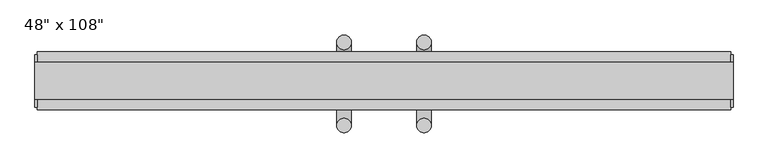
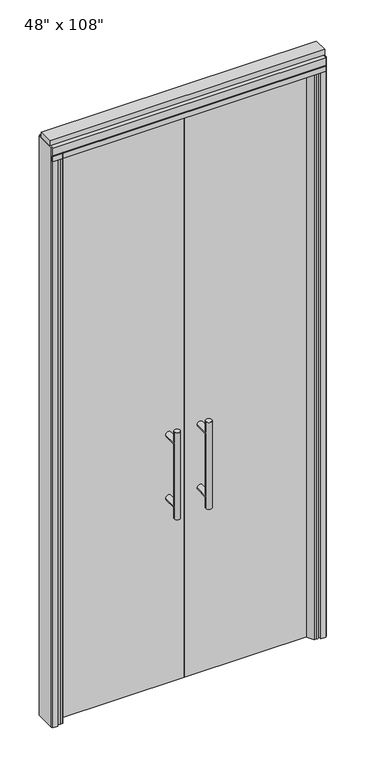
"""IFC4 building model written with IfcOpenShell, lengths in millimetres: furniture geometry."""

from ifc_helpers import new_model, si_unit, point, frame, frame_2d, origin, origin_with_axes, place, context, project, spatial, polyline, circle_curve, ellipse_curve, trimmed, segment, composite_curve, outline, extrude, source, transform, mapped, element, save
from ifc_brep_helpers import plane_surface, cylinder_surface, advanced_brep


def furniture_e2655b88(model_context):
    return source(origin(), model_context, "Body", "SolidModel", [
        extrude(outline(polyline([(-643.4745229, -14.6777216), (-643.4745229, -4.5177216), (-60.0365229, -4.5177216), (-60.0365229, -14.6777216), (-643.4745229, -14.6777216)])), origin_with_axes(), (0.0, 0.0, 1.0), 2654.3),
        advanced_brep(
        [(-117.3135229, 63.0462784, 1219.2), (-142.7135229, 63.0462784, 1219.2), (-117.3135229, 63.0462784, 812.8), (-142.7135229, 63.0462784, 812.8), (-117.3135229, 63.0462784, 1164.336), (-117.3135229, 63.0462784, 867.664), (-142.7135229, 63.0462784, 867.664), (-142.7135229, 63.0462784, 1164.336), (-117.3135229, -4.5177216, 1164.336), (-142.7135229, -4.5177216, 1164.336), (-117.3135229, -4.5177216, 867.664), (-142.7135229, -4.5177216, 867.664)],
        [
            (0, 1, circle_curve(frame((-130.0135229, 63.0462784, 1219.2), z_axis=(0.0, 0.0, 1.0), x_axis=(-1.0, 0.0, 0.0)), 12.7)),
            (1, 0, circle_curve(frame((-130.0135229, 63.0462784, 1219.2), z_axis=(0.0, 0.0, 1.0), x_axis=(-1.0, 0.0, 0.0)), 12.7)),
            (2, 3, circle_curve(frame((-130.0135229, 63.0462784, 812.8), z_axis=(0.0, 0.0, -1.0), x_axis=(-1.0, 0.0, 0.0)), 12.7)),
            (3, 2, circle_curve(frame((-130.0135229, 63.0462784, 812.8), z_axis=(0.0, 0.0, -1.0), x_axis=(-1.0, 0.0, 0.0)), 12.7)),
            (0, 4),
            (4, 5),
            (5, 2),
            (3, 6),
            (6, 7),
            (7, 1),
            (7, 4, ellipse_curve(frame((-130.0135229, 63.0462784, 1164.336), z_axis=(0.0, 0.707106781186565, 0.70710678118653), x_axis=(0.0, -0.70710678118653, 0.707106781186565)), 17.9605122, 12.7)),
            (5, 6, ellipse_curve(frame((-130.0135229, 63.0462784, 867.664), z_axis=(0.0, 0.70710678118653, -0.7071067811865649), x_axis=(0.0, 0.7071067811865648, 0.7071067811865301)), 17.9605122, 12.7)),
            (4, 7, ellipse_curve(frame((-130.0135229, 63.0462784, 1164.336), z_axis=(0.0, 0.70710678118653, -0.7071067811865649), x_axis=(0.0, 0.7071067811865648, 0.7071067811865301)), 17.9605122, 12.7)),
            (6, 5, ellipse_curve(frame((-130.0135229, 63.0462784, 867.664), z_axis=(0.0, 0.707106781186565, 0.70710678118653), x_axis=(0.0, -0.70710678118653, 0.707106781186565)), 17.9605122, 12.7)),
            (8, 9, circle_curve(frame((-130.0135229, -4.5177216, 1164.336), z_axis=(0.0, -1.0, 0.0), x_axis=(-1.0, 0.0, 0.0)), 12.7)),
            (9, 8, circle_curve(frame((-130.0135229, -4.5177216, 1164.336), z_axis=(0.0, -1.0, 0.0), x_axis=(-1.0, 0.0, 0.0)), 12.7)),
            (9, 7),
            (4, 8),
            (10, 11, circle_curve(frame((-130.0135229, -4.5177216, 867.664), z_axis=(0.0, -1.0, 0.0), x_axis=(-1.0, 0.0, 0.0)), 12.7)),
            (11, 10, circle_curve(frame((-130.0135229, -4.5177216, 867.664), z_axis=(0.0, -1.0, 0.0), x_axis=(-1.0, 0.0, 0.0)), 12.7)),
            (11, 6),
            (5, 10),
        ],
        [
            plane_surface(frame((-142.7135229, 63.0462784, 1219.2), z_axis=(0.0, 0.0, 1.0), x_axis=(0.0, -1.0, 0.0))),
            plane_surface(frame((-142.7135229, 63.0462784, 812.8), z_axis=(0.0, 0.0, -1.0), x_axis=(0.0, 1.0, 0.0))),
            cylinder_surface(frame((-130.0135229, 63.0462784, 812.8), z_axis=(0.0, 0.0, 1.0), x_axis=(-1.0, 0.0, 0.0)), 12.7),
            plane_surface(frame((-142.7135229, -4.5177216, 1164.336), z_axis=(0.0, -1.0, 0.0), x_axis=(0.0, 0.0, -1.0))),
            cylinder_surface(frame((-130.0135229, -4.5177216, 1164.336), z_axis=(0.0, 1.0, 0.0), x_axis=(-1.0, 0.0, 0.0)), 12.7),
            plane_surface(frame((-142.7135229, -4.5177216, 867.664), z_axis=(0.0, -1.0, 0.0), x_axis=(0.0, 0.0, -1.0))),
            cylinder_surface(frame((-130.0135229, -4.5177216, 867.664), z_axis=(0.0, 1.0, 0.0), x_axis=(-1.0, 0.0, 0.0)), 12.7),
        ],
        [
            (0, [[1, 2]]),
            (1, [[3, 4]]),
            (2, [[-1, 5, 6, 7, -4, 8, 9, 10]]),
            (2, [[-2, -10, 11, -5]]),
            (2, [[-3, -7, 12, -8]]),
            (2, [[13, -9, 14, -6]]),
            (3, [[15, 16]]),
            (4, [[-16, 17, -13, 18]]),
            (4, [[-15, -18, -11, -17]]),
            (5, [[19, 20]]),
            (6, [[-20, 21, -12, 22]]),
            (6, [[-19, -22, -14, -21]]),
        ],
    ),
        advanced_brep(
        [(-117.3135229, -82.2417216, 1219.2), (-142.7135229, -82.2417216, 1219.2), (-117.3135229, -82.2417216, 812.8), (-142.7135229, -82.2417216, 812.8), (-142.7135229, -82.2417216, 1164.336), (-142.7135229, -82.2417216, 867.664), (-117.3135229, -82.2417216, 867.664), (-117.3135229, -82.2417216, 1164.336), (-117.3135229, -14.6777216, 1164.336), (-142.7135229, -14.6777216, 1164.336), (-117.3135229, -14.6777216, 867.664), (-142.7135229, -14.6777216, 867.664)],
        [
            (0, 1, circle_curve(frame((-130.0135229, -82.2417216, 1219.2), z_axis=(0.0, 0.0, 1.0), x_axis=(-1.0, 0.0, 0.0)), 12.7)),
            (1, 0, circle_curve(frame((-130.0135229, -82.2417216, 1219.2), z_axis=(0.0, 0.0, 1.0), x_axis=(-1.0, 0.0, 0.0)), 12.7)),
            (2, 3, circle_curve(frame((-130.0135229, -82.2417216, 812.8), z_axis=(0.0, 0.0, -1.0), x_axis=(-1.0, 0.0, 0.0)), 12.7)),
            (3, 2, circle_curve(frame((-130.0135229, -82.2417216, 812.8), z_axis=(0.0, 0.0, -1.0), x_axis=(-1.0, 0.0, 0.0)), 12.7)),
            (1, 4),
            (4, 5),
            (5, 3),
            (2, 6),
            (6, 7),
            (7, 0),
            (6, 5, ellipse_curve(frame((-130.0135229, -82.2417216, 867.664), z_axis=(0.0, -0.707106781186565, 0.70710678118653), x_axis=(0.0, 0.70710678118653, 0.707106781186565)), 17.9605122, 12.7)),
            (4, 7, ellipse_curve(frame((-130.0135229, -82.2417216, 1164.336), z_axis=(0.0, -0.70710678118653, -0.7071067811865649), x_axis=(0.0, -0.7071067811865648, 0.7071067811865301)), 17.9605122, 12.7)),
            (7, 4, ellipse_curve(frame((-130.0135229, -82.2417216, 1164.336), z_axis=(0.0, -0.707106781186565, 0.70710678118653), x_axis=(0.0, 0.70710678118653, 0.707106781186565)), 17.9605122, 12.7)),
            (5, 6, ellipse_curve(frame((-130.0135229, -82.2417216, 867.664), z_axis=(0.0, -0.70710678118653, -0.7071067811865649), x_axis=(0.0, -0.7071067811865648, 0.7071067811865301)), 17.9605122, 12.7)),
            (8, 9, circle_curve(frame((-130.0135229, -14.6777216, 1164.336), z_axis=(0.0, 1.0, 0.0), x_axis=(-1.0, 0.0, 0.0)), 12.7)),
            (9, 8, circle_curve(frame((-130.0135229, -14.6777216, 1164.336), z_axis=(0.0, 1.0, 0.0), x_axis=(-1.0, 0.0, 0.0)), 12.7)),
            (8, 7),
            (4, 9),
            (10, 11, circle_curve(frame((-130.0135229, -14.6777216, 867.664), z_axis=(0.0, 1.0, 0.0), x_axis=(-1.0, 0.0, 0.0)), 12.7)),
            (11, 10, circle_curve(frame((-130.0135229, -14.6777216, 867.664), z_axis=(0.0, 1.0, 0.0), x_axis=(-1.0, 0.0, 0.0)), 12.7)),
            (10, 6),
            (5, 11),
        ],
        [
            plane_surface(frame((-142.7135229, -82.2417216, 1219.2), z_axis=(0.0, 0.0, 1.0), x_axis=(0.0, 1.0, 0.0))),
            plane_surface(frame((-142.7135229, -82.2417216, 812.8), z_axis=(0.0, 0.0, -1.0), x_axis=(0.0, -1.0, 0.0))),
            cylinder_surface(frame((-130.0135229, -82.2417216, 812.8), z_axis=(0.0, 0.0, 1.0), x_axis=(-1.0, 0.0, 0.0)), 12.7),
            plane_surface(frame((-142.7135229, -14.6777216, 1164.336), z_axis=(0.0, 1.0, 0.0), x_axis=(0.0, 0.0, -1.0))),
            cylinder_surface(frame((-130.0135229, -14.6777216, 1164.336), z_axis=(0.0, -1.0, 0.0), x_axis=(-1.0, 0.0, 0.0)), 12.7),
            plane_surface(frame((-142.7135229, -14.6777216, 867.664), z_axis=(0.0, 1.0, 0.0), x_axis=(0.0, 0.0, -1.0))),
            cylinder_surface(frame((-130.0135229, -14.6777216, 867.664), z_axis=(0.0, -1.0, 0.0), x_axis=(-1.0, 0.0, 0.0)), 12.7),
        ],
        [
            (0, [[1, 2]]),
            (1, [[3, 4]]),
            (2, [[5, 6, 7, -3, 8, 9, 10, -2]]),
            (2, [[-9, 11, -6, 12]]),
            (2, [[-10, 13, -5, -1]]),
            (2, [[-7, 14, -8, -4]]),
            (3, [[15, 16]]),
            (4, [[17, -12, 18, -15]]),
            (4, [[-18, -13, -17, -16]]),
            (5, [[19, 20]]),
            (6, [[21, -14, 22, -19]]),
            (6, [[-22, -11, -21, -20]]),
        ],
    ),
        extrude(outline(polyline([(-630.1395229, 4.6262784), (-601.4375229, 4.6262784), (-601.4375229, -4.5177216), (-630.1395229, -4.5177216), (-630.1395229, 4.6262784)])), origin_with_axes(), (0.0, 0.0, 1.0), 2654.3),
        extrude(outline(composite_curve([segment(polyline([(-601.4375229, -14.6777216), (-601.4375229, -20.2657216), (-617.4525186, -47.99736), (-629.6979561, -47.99736)]), True, "CONTINUOUS"), segment(trimmed(circle_curve(frame_2d((-626.3565751, -30.8880433)), 17.4325427), [point((-629.6979561, -47.99736))], [point((-643.4745229, -34.1849216))], False, "CARTESIAN"), True, "CONTINUOUS"), segment(polyline([(-643.4745229, -34.1849216), (-643.4745229, -14.6777216), (-601.4375229, -14.6777216)]), True, "CONTINUOUS")], self_intersect=False)), origin_with_axes(), (0.0, 0.0, 1.0), 2654.3),
        extrude(outline(polyline([(523.4014771, -14.6777216), (-60.0365229, -14.6777216), (-60.0365229, -4.5177216), (523.4014771, -4.5177216), (523.4014771, -14.6777216)])), origin_with_axes(), (0.0, 0.0, 1.0), 2654.3),
        advanced_brep(
        [(-2.7595229, 63.0462784, 1219.2), (22.6404771, 63.0462784, 1219.2), (-2.7595229, 63.0462784, 812.8), (22.6404771, 63.0462784, 812.8), (22.6404771, 63.0462784, 1164.336), (22.6404771, 63.0462784, 867.664), (-2.7595229, 63.0462784, 867.664), (-2.7595229, 63.0462784, 1164.336), (-2.7595229, -4.5177216, 1164.336), (22.6404771, -4.5177216, 1164.336), (-2.7595229, -4.5177216, 867.664), (22.6404771, -4.5177216, 867.664)],
        [
            (0, 1, circle_curve(frame((9.9404771, 63.0462784, 1219.2), z_axis=(0.0, 0.0, 1.0), x_axis=(1.0, 0.0, 0.0)), 12.7)),
            (1, 0, circle_curve(frame((9.9404771, 63.0462784, 1219.2), z_axis=(0.0, 0.0, 1.0), x_axis=(1.0, 0.0, 0.0)), 12.7)),
            (2, 3, circle_curve(frame((9.9404771, 63.0462784, 812.8), z_axis=(0.0, 0.0, -1.0), x_axis=(1.0, 0.0, 0.0)), 12.7)),
            (3, 2, circle_curve(frame((9.9404771, 63.0462784, 812.8), z_axis=(0.0, 0.0, -1.0), x_axis=(1.0, 0.0, 0.0)), 12.7)),
            (1, 4),
            (4, 5),
            (5, 3),
            (2, 6),
            (6, 7),
            (7, 0),
            (6, 5, ellipse_curve(frame((9.9404771, 63.0462784, 867.664), z_axis=(0.0, 0.707106781186565, 0.70710678118653), x_axis=(0.0, -0.70710678118653, 0.707106781186565)), 17.9605122, 12.7)),
            (4, 7, ellipse_curve(frame((9.9404771, 63.0462784, 1164.336), z_axis=(0.0, 0.70710678118653, -0.7071067811865649), x_axis=(0.0, 0.7071067811865648, 0.7071067811865301)), 17.9605122, 12.7)),
            (7, 4, ellipse_curve(frame((9.9404771, 63.0462784, 1164.336), z_axis=(0.0, 0.707106781186565, 0.70710678118653), x_axis=(0.0, -0.70710678118653, 0.707106781186565)), 17.9605122, 12.7)),
            (5, 6, ellipse_curve(frame((9.9404771, 63.0462784, 867.664), z_axis=(0.0, 0.70710678118653, -0.7071067811865649), x_axis=(0.0, 0.7071067811865648, 0.7071067811865301)), 17.9605122, 12.7)),
            (8, 9, circle_curve(frame((9.9404771, -4.5177216, 1164.336), z_axis=(0.0, -1.0, 0.0), x_axis=(1.0, 0.0, 0.0)), 12.7)),
            (9, 8, circle_curve(frame((9.9404771, -4.5177216, 1164.336), z_axis=(0.0, -1.0, 0.0), x_axis=(1.0, 0.0, 0.0)), 12.7)),
            (8, 7),
            (4, 9),
            (10, 11, circle_curve(frame((9.9404771, -4.5177216, 867.664), z_axis=(0.0, -1.0, 0.0), x_axis=(1.0, 0.0, 0.0)), 12.7)),
            (11, 10, circle_curve(frame((9.9404771, -4.5177216, 867.664), z_axis=(0.0, -1.0, 0.0), x_axis=(1.0, 0.0, 0.0)), 12.7)),
            (10, 6),
            (5, 11),
        ],
        [
            plane_surface(frame((22.6404771, 63.0462784, 1219.2), z_axis=(0.0, 0.0, 1.0), x_axis=(0.0, -1.0, 0.0))),
            plane_surface(frame((22.6404771, 63.0462784, 812.8), z_axis=(0.0, 0.0, -1.0), x_axis=(0.0, 1.0, 0.0))),
            cylinder_surface(frame((9.9404771, 63.0462784, 812.8), z_axis=(0.0, 0.0, 1.0), x_axis=(1.0, 0.0, 0.0)), 12.7),
            plane_surface(frame((22.6404771, -4.5177216, 1164.336), z_axis=(0.0, -1.0, 0.0), x_axis=(0.0, 0.0, -1.0))),
            cylinder_surface(frame((9.9404771, -4.5177216, 1164.336), z_axis=(0.0, 1.0, 0.0), x_axis=(1.0, 0.0, 0.0)), 12.7),
            plane_surface(frame((22.6404771, -4.5177216, 867.664), z_axis=(0.0, -1.0, 0.0), x_axis=(0.0, 0.0, -1.0))),
            cylinder_surface(frame((9.9404771, -4.5177216, 867.664), z_axis=(0.0, 1.0, 0.0), x_axis=(1.0, 0.0, 0.0)), 12.7),
        ],
        [
            (0, [[1, 2]]),
            (1, [[3, 4]]),
            (2, [[5, 6, 7, -3, 8, 9, 10, -2]]),
            (2, [[-9, 11, -6, 12]]),
            (2, [[-10, 13, -5, -1]]),
            (2, [[-7, 14, -8, -4]]),
            (3, [[15, 16]]),
            (4, [[17, -12, 18, -15]]),
            (4, [[-18, -13, -17, -16]]),
            (5, [[19, 20]]),
            (6, [[21, -14, 22, -19]]),
            (6, [[-22, -11, -21, -20]]),
        ],
    ),
        advanced_brep(
        [(-2.7595229, -82.2417216, 1219.2), (22.6404771, -82.2417216, 1219.2), (-2.7595229, -82.2417216, 812.8), (22.6404771, -82.2417216, 812.8), (-2.7595229, -82.2417216, 1164.336), (-2.7595229, -82.2417216, 867.664), (22.6404771, -82.2417216, 867.664), (22.6404771, -82.2417216, 1164.336), (-2.7595229, -14.6777216, 1164.336), (22.6404771, -14.6777216, 1164.336), (-2.7595229, -14.6777216, 867.664), (22.6404771, -14.6777216, 867.664)],
        [
            (0, 1, circle_curve(frame((9.9404771, -82.2417216, 1219.2), z_axis=(0.0, 0.0, 1.0), x_axis=(1.0, 0.0, 0.0)), 12.7)),
            (1, 0, circle_curve(frame((9.9404771, -82.2417216, 1219.2), z_axis=(0.0, 0.0, 1.0), x_axis=(1.0, 0.0, 0.0)), 12.7)),
            (2, 3, circle_curve(frame((9.9404771, -82.2417216, 812.8), z_axis=(0.0, 0.0, -1.0), x_axis=(1.0, 0.0, 0.0)), 12.7)),
            (3, 2, circle_curve(frame((9.9404771, -82.2417216, 812.8), z_axis=(0.0, 0.0, -1.0), x_axis=(1.0, 0.0, 0.0)), 12.7)),
            (0, 4),
            (4, 5),
            (5, 2),
            (3, 6),
            (6, 7),
            (7, 1),
            (7, 4, ellipse_curve(frame((9.9404771, -82.2417216, 1164.336), z_axis=(0.0, -0.707106781186565, 0.70710678118653), x_axis=(0.0, 0.70710678118653, 0.707106781186565)), 17.9605122, 12.7)),
            (5, 6, ellipse_curve(frame((9.9404771, -82.2417216, 867.664), z_axis=(0.0, -0.70710678118653, -0.7071067811865649), x_axis=(0.0, -0.7071067811865648, 0.7071067811865301)), 17.9605122, 12.7)),
            (4, 7, ellipse_curve(frame((9.9404771, -82.2417216, 1164.336), z_axis=(0.0, -0.70710678118653, -0.7071067811865649), x_axis=(0.0, -0.7071067811865648, 0.7071067811865301)), 17.9605122, 12.7)),
            (6, 5, ellipse_curve(frame((9.9404771, -82.2417216, 867.664), z_axis=(0.0, -0.707106781186565, 0.70710678118653), x_axis=(0.0, 0.70710678118653, 0.707106781186565)), 17.9605122, 12.7)),
            (8, 9, circle_curve(frame((9.9404771, -14.6777216, 1164.336), z_axis=(0.0, 1.0, 0.0), x_axis=(1.0, 0.0, 0.0)), 12.7)),
            (9, 8, circle_curve(frame((9.9404771, -14.6777216, 1164.336), z_axis=(0.0, 1.0, 0.0), x_axis=(1.0, 0.0, 0.0)), 12.7)),
            (9, 7),
            (4, 8),
            (10, 11, circle_curve(frame((9.9404771, -14.6777216, 867.664), z_axis=(0.0, 1.0, 0.0), x_axis=(1.0, 0.0, 0.0)), 12.7)),
            (11, 10, circle_curve(frame((9.9404771, -14.6777216, 867.664), z_axis=(0.0, 1.0, 0.0), x_axis=(1.0, 0.0, 0.0)), 12.7)),
            (11, 6),
            (5, 10),
        ],
        [
            plane_surface(frame((22.6404771, -82.2417216, 1219.2), z_axis=(0.0, 0.0, 1.0), x_axis=(0.0, 1.0, 0.0))),
            plane_surface(frame((22.6404771, -82.2417216, 812.8), z_axis=(0.0, 0.0, -1.0), x_axis=(0.0, -1.0, 0.0))),
            cylinder_surface(frame((9.9404771, -82.2417216, 812.8), z_axis=(0.0, 0.0, 1.0), x_axis=(1.0, 0.0, 0.0)), 12.7),
            plane_surface(frame((22.6404771, -14.6777216, 1164.336), z_axis=(0.0, 1.0, 0.0), x_axis=(0.0, 0.0, -1.0))),
            cylinder_surface(frame((9.9404771, -14.6777216, 1164.336), z_axis=(0.0, -1.0, 0.0), x_axis=(1.0, 0.0, 0.0)), 12.7),
            plane_surface(frame((22.6404771, -14.6777216, 867.664), z_axis=(0.0, 1.0, 0.0), x_axis=(0.0, 0.0, -1.0))),
            cylinder_surface(frame((9.9404771, -14.6777216, 867.664), z_axis=(0.0, -1.0, 0.0), x_axis=(1.0, 0.0, 0.0)), 12.7),
        ],
        [
            (0, [[1, 2]]),
            (1, [[3, 4]]),
            (2, [[-1, 5, 6, 7, -4, 8, 9, 10]]),
            (2, [[-2, -10, 11, -5]]),
            (2, [[-3, -7, 12, -8]]),
            (2, [[13, -9, 14, -6]]),
            (3, [[15, 16]]),
            (4, [[-16, 17, -13, 18]]),
            (4, [[-15, -18, -11, -17]]),
            (5, [[19, 20]]),
            (6, [[-20, 21, -12, 22]]),
            (6, [[-19, -22, -14, -21]]),
        ],
    ),
        extrude(outline(polyline([(510.0664771, 4.6262784), (510.0664771, -4.5177216), (481.3644771, -4.5177216), (481.3644771, 4.6262784), (510.0664771, 4.6262784)])), origin_with_axes(), (0.0, 0.0, 1.0), 2654.3),
        extrude(outline(composite_curve([segment(polyline([(481.3644771, -14.6777216), (523.4014771, -14.6777216), (523.4014771, -34.1849216)]), True, "CONTINUOUS"), segment(trimmed(circle_curve(frame_2d((506.2835293, -30.8880433)), 17.4325427), [point((523.4014771, -34.1849216))], [point((509.6249103, -47.99736))], False, "CARTESIAN"), True, "CONTINUOUS"), segment(polyline([(509.6249103, -47.99736), (497.3794728, -47.99736), (481.3644771, -20.2657216), (481.3644771, -14.6777216)]), True, "CONTINUOUS")], self_intersect=False)), origin_with_axes(), (0.0, 0.0, 1.0), 2654.3),
        extrude(outline(polyline([(-665.6995229, -55.3177216), (-665.6995229, 46.2822784), (545.6264771, 46.2822784), (545.6264771, -55.3177216), (-665.6995229, -55.3177216)])), frame((0.0, 0.0, 2654.3), z_axis=(0.0, 0.0, 1.0), x_axis=(1.0, 0.0, 0.0)), (0.0, 0.0, 1.0), 22.225),
        extrude(outline(polyline([(549.5634771, -50.3647216), (545.6264771, -50.3647216), (545.6264771, 41.3292784), (549.5634771, 41.3292784), (549.5634771, -50.3647216)])), origin_with_axes(), (0.0, 0.0, 1.0), 2717.8),
        extrude(outline(polyline([(-669.6365229, -50.3647216), (-669.6365229, 41.3292784), (-665.6995229, 41.3292784), (-665.6995229, -50.3647216), (-669.6365229, -50.3647216)])), origin_with_axes(), (0.0, 0.0, 1.0), 2717.8),
        extrude(outline(polyline([(545.6264771, 46.2822784), (545.6264771, -55.3177216), (523.4014771, -55.3177216), (523.4014771, -4.5177216), (510.7014771, -4.5177216), (510.7014771, 20.8822784), (523.4014771, 20.8822784), (523.4014771, 46.2822784), (545.6264771, 46.2822784)])), origin_with_axes(), (0.0, 0.0, 1.0), 2654.3),
        extrude(outline(polyline([(-665.6995229, 46.2822784), (-643.4745229, 46.2822784), (-643.4745229, 20.8822784), (-630.7745229, 20.8822784), (-630.7745229, -4.5177216), (-643.4745229, -4.5177216), (-643.4745229, -55.3177216), (-665.6995229, -55.3177216), (-665.6995229, 46.2822784)])), origin_with_axes(), (0.0, 0.0, 1.0), 2654.3),
        extrude(outline(polyline([(-55.3177216, 2681.478), (-55.3177216, 2717.8), (46.2822784, 2717.8), (46.2822784, 2681.478), (41.3292784, 2681.478), (41.3292784, 2676.525), (-50.3647216, 2676.525), (-50.3647216, 2681.478), (-55.3177216, 2681.478)])), frame((-665.6995229, 0.0, 0.0), z_axis=(1.0, 0.0, 0.0), x_axis=(0.0, 1.0, 0.0)), (0.0, 0.0, 1.0), 1211.326),
        extrude(outline(polyline([(-669.6365229, -37.0297216), (-669.6365229, 27.9942784), (549.5634771, 27.9942784), (549.5634771, -37.0297216), (-669.6365229, -37.0297216)])), frame((0.0, 0.0, 2717.8), z_axis=(0.0, 0.0, 1.0), x_axis=(1.0, 0.0, 0.0)), (0.0, 0.0, 1.0), 25.4),
    ])


if __name__ == "__main__":
    model = new_model("IFC4")
    model_context = context("Model", 3, world=origin())
    ifc_project = project(units=[si_unit("LENGTHUNIT", "METRE", prefix="MILLI")], contexts=[model_context])
    site = spatial("IfcSite", under=ifc_project)
    building = spatial("IfcBuilding", under=site)
    placement = place(None, origin())
    furniture_shape = furniture_e2655b88(model_context)
    element("IfcFurniture", 1, ObjectType="48\" x 108\"", at=placement, inside=building, context=model_context, shape_type="MappedRepresentation", body=[
        mapped(furniture_shape, transform((0.0, 0.0, 0.0), x_axis=(1.0, 0.0, 0.0), y_axis=(0.0, 1.0, 0.0), z_axis=(0.0, 0.0, 1.0))),
    ])
    save(model, "model.ifc")
